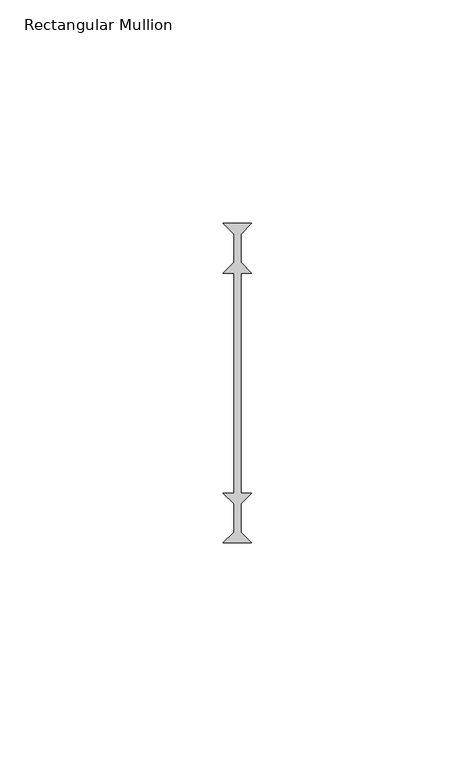
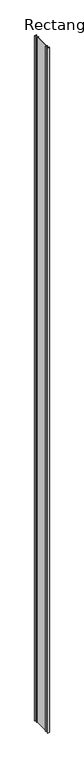
"""IFC4 building model written with IfcOpenShell, lengths in millimetres: member geometry, Rectangular Mullion."""

from ifc_helpers import new_model, si_unit, frame, origin, place, context, project, spatial, polyline, outline, extrude, source, transform, mapped, element, save


def rectangular_mullion_ec3baf92(model_context):
    return source(origin(), model_context, "Body", "SweptSolid", [
        extrude(outline(polyline([(3.175, 35.71875), (0.79375, 33.3375), (0.79375, 26.9875), (3.175, 24.60625), (0.79375, 24.60625), (0.79375, -24.60625), (3.175, -24.60625), (0.79375, -26.9875), (0.79375, -33.3375), (3.175, -35.71875), (-3.175, -35.71875), (-0.79375, -33.3375), (-0.79375, -26.9875), (-3.175, -24.60625), (-0.79375, -24.60625), (-0.79375, 24.60625), (-3.175, 24.60625), (-0.79375, 26.9875), (-0.79375, 33.3375), (-3.175, 35.71875), (3.175, 35.71875)])), frame((0.0, 0.0, -2359.025), z_axis=(0.0, 0.0, 1.0), x_axis=(1.0, 0.0, 0.0)), (0.0, 0.0, 1.0), 2359.025),
    ])


if __name__ == "__main__":
    model = new_model("IFC4")
    model_context = context("Model", 3, world=origin())
    ifc_project = project(units=[si_unit("LENGTHUNIT", "METRE", prefix="MILLI")], contexts=[model_context])
    site = spatial("IfcSite", under=ifc_project)
    building = spatial("IfcBuilding", under=site)
    placement = place(None, origin())
    rectangular_mullion_shape = rectangular_mullion_ec3baf92(model_context)
    element("IfcMember", 1, ObjectType="Rectangular Mullion", at=placement, inside=building, context=model_context, shape_type="MappedRepresentation", body=[
        mapped(rectangular_mullion_shape, transform((0.0, 0.0, 0.0), x_axis=(1.0, 0.0, 0.0), y_axis=(0.0, 1.0, 0.0), z_axis=(0.0, 0.0, 1.0))),
    ])
    save(model, "model.ifc")
